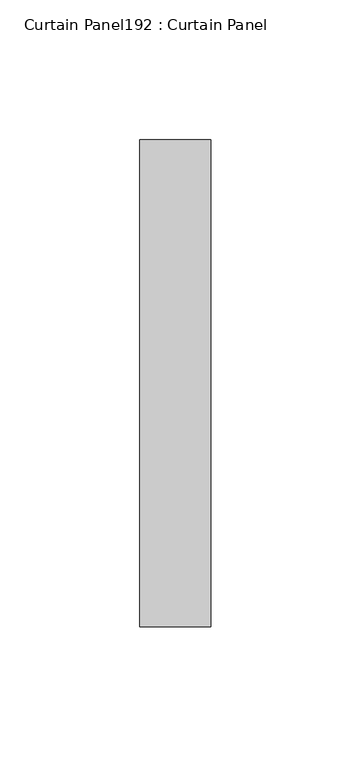
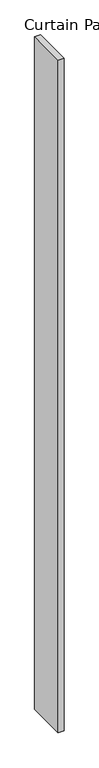
"""IFC4 building model written with IfcOpenShell, lengths in millimetres: plate geometry, Curtain Panel192 : Curtain Panel."""

from ifc_helpers import new_model, si_unit, frame, origin, place, context, project, spatial, polyline, outline, extrude, source, transform, mapped, element, save


def curtain_panel192_curtain_panel_37404f8d(model_context):
    return source(origin(), model_context, "Body", "SweptSolid", [
        extrude(outline(polyline([(599708.5689525, 3292.8642924), (599708.5689525, 3118.9432644), (599683.1689525, 3118.9432644), (599683.1689525, 3292.8642924), (599708.5689525, 3292.8642924)])), frame((0.0, 0.0, 4959.7989371), z_axis=(0.0, 0.0, 1.0), x_axis=(1.0, 0.0, 0.0)), (0.0, 0.0, 1.0), 3048.0),
    ])


if __name__ == "__main__":
    model = new_model("IFC4")
    model_context = context("Model", 3, world=origin())
    ifc_project = project(units=[si_unit("LENGTHUNIT", "METRE", prefix="MILLI")], contexts=[model_context])
    site = spatial("IfcSite", under=ifc_project)
    building = spatial("IfcBuilding", under=site)
    placement = place(None, origin())
    curtain_panel192_curtain_panel_shape = curtain_panel192_curtain_panel_37404f8d(model_context)
    element("IfcPlate", 1, ObjectType="Curtain Panel192 : Curtain Panel", at=placement, inside=building, context=model_context, shape_type="MappedRepresentation", body=[
        mapped(curtain_panel192_curtain_panel_shape, transform((0.0, 0.0, 0.0), x_axis=(1.0, 0.0, 0.0), y_axis=(0.0, 1.0, 0.0), z_axis=(0.0, 0.0, 1.0))),
    ])
    save(model, "model.ifc")
